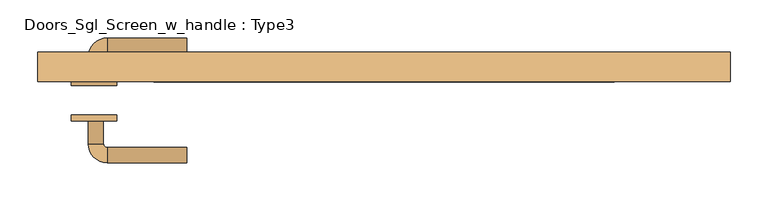
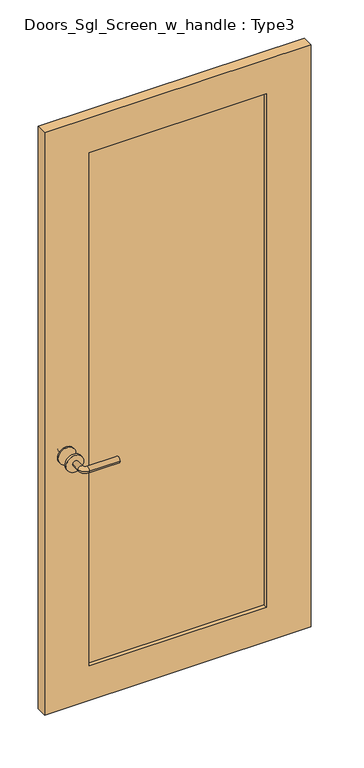
"""IFC4 building model written with IfcOpenShell, lengths in millimetres: door geometry, Doors_Sgl_Screen_w_handle : Type3."""

import ifcopenshell
import ifcopenshell.guid

model = None  # the IFC model being written
_history = None  # IfcOwnerHistory: only IFC2X3 demands one
_inside = {}  # id of a spatial element -> (the spatial element, [elements in it])
_under = {}  # id of a project, library or spatial element -> (it, [spatial elements below it])
_declared = {}  # id of a project -> (the project, [libraries it declares])
_typed = {}  # id of a type object -> (the type object, [elements of that type])
_made_of = {}  # id of a material, layer set ... -> (it, [elements and type objects made of it])


def new_model(schema):
    """Start an empty IFC model of exactly this schema.

    Asked for "IFC4X3", IfcOpenShell would pick the latest addendum, in which some entities
    have other attributes; the version numbers below select the first issue.
    IFC2X3 requires an IfcOwnerHistory on every rooted entity: one is made here for all.
    """
    global model, _history
    if schema == "IFC4X3":
        model = ifcopenshell.file(schema_version=(4, 3, 0, 0))
    else:
        model = ifcopenshell.file(schema=schema)
    _inside.clear()
    _under.clear()
    _declared.clear()
    _typed.clear()
    _made_of.clear()
    _history = None
    if model.schema == "IFC2X3":
        org = make("IfcOrganization", Name="unknown")
        user = make(
            "IfcPersonAndOrganization",
            ThePerson=make("IfcPerson", FamilyName="unknown"),
            TheOrganization=org,
        )
        app = make(
            "IfcApplication",
            ApplicationDeveloper=org,
            Version="unknown",
            ApplicationFullName="unknown",
            ApplicationIdentifier="unknown",
        )
        _history = make(
            "IfcOwnerHistory",
            OwningUser=user,
            OwningApplication=app,
            ChangeAction="ADDED",
            CreationDate=0,
        )
    return model


def make(cls, **values):
    """One entity of the class cls with the attributes given. An attribute that is None is left unset."""
    return model.create_entity(
        cls, **{name: value for name, value in values.items() if value is not None}
    )


def rooted(cls, **values):
    """An entity with a GlobalId (a new one), such as an element, a storey or a relation."""
    return make(cls, GlobalId=ifcopenshell.guid.new(), OwnerHistory=_history, **values)


def si_unit(unit_type, name, prefix=None):
    """IfcSIUnit, for example si_unit("LENGTHUNIT", "METRE", prefix="MILLI")."""
    return make("IfcSIUnit", UnitType=unit_type, Prefix=prefix, Name=name)


def assignment(units):
    """IfcUnitAssignment: the units of a project."""
    return None if units is None else make("IfcUnitAssignment", Units=units)


def point(xyz):
    """IfcCartesianPoint."""
    return None if xyz is None else make("IfcCartesianPoint", Coordinates=xyz)


def direction(xyz):
    """IfcDirection."""
    return None if xyz is None else make("IfcDirection", DirectionRatios=xyz)


def frame(location, z_axis=None, x_axis=None):
    """IfcAxis2Placement3D, a coordinate frame: its origin and axes. An axis left out is left unset."""
    return make(
        "IfcAxis2Placement3D",
        Location=point(location),
        Axis=direction(z_axis),
        RefDirection=direction(x_axis),
    )


def frame_2d(location, x_axis=None):
    """IfcAxis2Placement2D, a coordinate frame in the plane: its origin and x axis."""
    return make(
        "IfcAxis2Placement2D", Location=point(location), RefDirection=direction(x_axis)
    )


def origin():
    """The frame at (0, 0, 0) with its axes left unset."""
    return frame((0.0, 0.0, 0.0))


def place(relative_to, where):
    """IfcLocalPlacement: puts the frame where relative to a parent placement (None: the world)."""
    return make(
        "IfcLocalPlacement", PlacementRelTo=relative_to, RelativePlacement=where
    )


def context(
    kind, dimensions, precision=None, world=None, true_north=None, identifier=None
):
    """IfcGeometricRepresentationContext, for example the 3D "Model" context."""
    return make(
        "IfcGeometricRepresentationContext",
        ContextIdentifier=identifier,
        ContextType=kind,
        CoordinateSpaceDimension=dimensions,
        Precision=precision,
        WorldCoordinateSystem=world,
        TrueNorth=true_north,
    )


def project(units=None, contexts=None):
    """IfcProject with its units and contexts."""
    return rooted(
        "IfcProject",
        Name="project",
        RepresentationContexts=contexts,
        UnitsInContext=assignment(units),
    )


def spatial(cls, under=None, at=None, **own):
    """A site, building, storey or space (cls), placed at a placement, below another one or the project."""
    s = rooted(cls, ObjectPlacement=at, **own)
    if under is not None:
        _under.setdefault(under.id(), (under, []))[1].append(s)
    return s


def polyline(points):
    """IfcPolyline through the points."""
    return make("IfcPolyline", Points=[point(p) for p in points])


def circle_curve(where, radius):
    """IfcCircle in the frame where."""
    return make("IfcCircle", Position=where, Radius=radius)


def ellipse_curve(where, semi_axis1, semi_axis2):
    """IfcEllipse in the frame where."""
    return make(
        "IfcEllipse", Position=where, SemiAxis1=semi_axis1, SemiAxis2=semi_axis2
    )


def trimmed(basis, trim1, trim2, sense, master):
    """IfcTrimmedCurve: the piece of a basis curve between two trims."""
    return make(
        "IfcTrimmedCurve",
        BasisCurve=basis,
        Trim1=trim1,
        Trim2=trim2,
        SenseAgreement=sense,
        MasterRepresentation=master,
    )


def segment(curve, same_sense, transition):
    """IfcCompositeCurveSegment."""
    return make(
        "IfcCompositeCurveSegment",
        Transition=transition,
        SameSense=same_sense,
        ParentCurve=curve,
    )


def composite_curve(segments, self_intersect=None):
    """IfcCompositeCurve: segments joined end to end."""
    return make("IfcCompositeCurve", Segments=segments, SelfIntersect=self_intersect)


def outline(outer, holes=None, kind="AREA"):
    """IfcArbitraryClosedProfileDef: a profile drawn as a closed curve; with holes, ...WithVoids."""
    if holes is None:
        return make("IfcArbitraryClosedProfileDef", ProfileType=kind, OuterCurve=outer)
    return make(
        "IfcArbitraryProfileDefWithVoids",
        ProfileType=kind,
        OuterCurve=outer,
        InnerCurves=holes,
    )


def extrude(swept, where, along, depth):
    """IfcExtrudedAreaSolid: the profile swept, set in the frame where, extruded along a direction by depth."""
    return make(
        "IfcExtrudedAreaSolid",
        SweptArea=swept,
        Position=where,
        ExtrudedDirection=direction(along),
        Depth=depth,
    )


def shape(context_of_items, identifier, shape_type, items):
    """IfcShapeRepresentation: the items that make up one representation, for example the "Body"."""
    return make(
        "IfcShapeRepresentation",
        ContextOfItems=context_of_items,
        RepresentationIdentifier=identifier,
        RepresentationType=shape_type,
        Items=items,
    )


def source(mapping_origin, context_of_items, identifier, shape_type, items):
    """IfcRepresentationMap: a shape defined once, which mapped items show again and again."""
    return make(
        "IfcRepresentationMap",
        MappingOrigin=mapping_origin,
        MappedRepresentation=shape(context_of_items, identifier, shape_type, items),
    )


def transform(
    local_origin,
    x_axis=None,
    y_axis=None,
    z_axis=None,
    scale=None,
    scale2=None,
    scale3=None,
    uniform=True,
):
    """IfcCartesianTransformationOperator3D, or its non-uniform kind. x_axis, y_axis, z_axis: its Axis1, 2, 3."""
    if uniform:
        return make(
            "IfcCartesianTransformationOperator3D",
            Axis1=direction(x_axis),
            Axis2=direction(y_axis),
            LocalOrigin=point(local_origin),
            Scale=scale,
            Axis3=direction(z_axis),
        )
    return make(
        "IfcCartesianTransformationOperator3DnonUniform",
        Axis1=direction(x_axis),
        Axis2=direction(y_axis),
        LocalOrigin=point(local_origin),
        Scale=scale,
        Axis3=direction(z_axis),
        Scale2=scale2,
        Scale3=scale3,
    )


def mapped(mapping_source, mapping_target):
    """IfcMappedItem: shows the shape of a source again, moved by a transform."""
    return make(
        "IfcMappedItem", MappingSource=mapping_source, MappingTarget=mapping_target
    )


def made_of(thing, what):
    """Note that an element or type object is made of a material, layer set ...; save() writes the relation."""
    if what is not None:
        _made_of.setdefault(what.id(), (what, []))[1].append(thing)
    return thing


def element(
    cls,
    number,
    at=None,
    inside=None,
    cuts=None,
    type_object=None,
    material=None,
    context=None,
    identifier="Body",
    shape_type=None,
    held_by="IfcProductDefinitionShape",
    body=None,
    shapes=None,
    **own,
):
    """One element of the class cls, such as IfcWall. Its Tag is "e" and its number.

    at: its placement. inside: the storey or other place that contains it. cuts: it is an
    opening in that element (IfcRelVoidsElement). A single representation is given by context,
    identifier, shape_type and body (its items); several are given by shapes. held_by: the class
    of the entity that holds the representations. save() writes the other relations.
    """
    e = rooted(cls, Tag="e%d" % number, ObjectPlacement=at, **own)
    if body is not None:
        shapes = [shape(context, identifier, shape_type, body)]
    if shapes is not None:
        e.Representation = make(held_by, Representations=shapes)
    if inside is not None:
        _inside.setdefault(inside.id(), (inside, []))[1].append(e)
    if cuts is not None:
        rooted(
            "IfcRelVoidsElement", RelatingBuildingElement=cuts, RelatedOpeningElement=e
        )
    if type_object is not None:
        _typed.setdefault(type_object.id(), (type_object, []))[1].append(e)
    return made_of(e, material)


def aggregate(whole, parts):
    """IfcRelAggregates: a whole, such as a stair, and the parts it consists of."""
    return rooted("IfcRelAggregates", RelatingObject=whole, RelatedObjects=parts)


def save(model, path):
    """Write the relations noted so far, then the file.

    IfcRelAggregates (storeys below a building ...), IfcRelContainedInSpatialStructure (elements
    in a storey), IfcRelDefinesByType, IfcRelAssociatesMaterial and IfcRelDeclares: one each for
    every whole, place, type object, material and project.
    """
    for whole, parts in _under.values():
        aggregate(whole, parts)
    for where, things in _inside.values():
        rooted(
            "IfcRelContainedInSpatialStructure",
            RelatedElements=things,
            RelatingStructure=where,
        )
    for kind, things in _typed.values():
        rooted("IfcRelDefinesByType", RelatedObjects=things, RelatingType=kind)
    for what, things in _made_of.values():
        rooted("IfcRelAssociatesMaterial", RelatedObjects=things, RelatingMaterial=what)
    for by, libraries in _declared.values():
        rooted("IfcRelDeclares", RelatingContext=by, RelatedDefinitions=libraries)
    model.write(path)


def plane_surface(at):
    """IfcPlane: the flat surface through the origin of the frame at, square to its z axis."""
    return make("IfcPlane", Position=at)


def cylinder_surface(at, radius):
    """IfcCylindricalSurface: all points at the distance radius from the z axis of the frame at."""
    return make("IfcCylindricalSurface", Position=at, Radius=radius)


def revolved_surface(curve, axis_point, axis_direction):
    """IfcSurfaceOfRevolution: the curve turned about the line through axis_point along axis_direction."""
    return make(
        "IfcSurfaceOfRevolution",
        SweptCurve=make("IfcArbitraryOpenProfileDef", ProfileType="CURVE", Curve=curve),
        AxisPosition=make("IfcAxis1Placement", Location=point(axis_point), Axis=direction(axis_direction)),
    )


def advanced_brep(points, edges, surfaces, faces):
    """IfcAdvancedBrep: a solid bounded by faces that lie on surfaces and meet in shared edges.

    An edge is (start, end): straight between two places in points (the first is 0);
    or (start, end, curve); or (start, end, curve, False) where it runs against its curve.
    A face is (place in surfaces, loops), or (place, loops, False) where it looks against
    its surface's normal. A loop lists edges by number (the first is 1), with a minus sign
    where the edge is run from its end to its start. The first loop is the outer one.
    """
    corners = [point(p) for p in points]
    vertices = [make("IfcVertexPoint", VertexGeometry=c) for c in corners]
    made = []
    for start, end, *more in edges:
        made.append(
            make(
                "IfcEdgeCurve",
                EdgeStart=vertices[start],
                EdgeEnd=vertices[end],
                EdgeGeometry=more[0] if more else make("IfcPolyline", Points=[corners[start], corners[end]]),
                SameSense=more[1] if len(more) > 1 else True,
            )
        )
    hull = []
    for where, loops, *sense in faces:
        bounds = []
        for j, loop in enumerate(loops):
            ring = [make("IfcOrientedEdge", EdgeElement=made[abs(k) - 1], Orientation=k > 0) for k in loop]
            bounds.append(
                make(
                    "IfcFaceOuterBound" if j == 0 else "IfcFaceBound",
                    Bound=make("IfcEdgeLoop", EdgeList=ring),
                    Orientation=True,
                )
            )
        hull.append(make("IfcAdvancedFace", Bounds=bounds, FaceSurface=surfaces[where], SameSense=sense[0] if sense else True))
    return make("IfcAdvancedBrep", Outer=make("IfcClosedShell", CfsFaces=hull))


def doors_sgl_screen_w_handle_type3_ea65707e(model_context):
    return source(origin(), model_context, "Body", "SolidModel", [
        advanced_brep(
        [(-389.4125, -33.964741, 914.4), (-369.4125, -33.964741, 914.4), (-369.4125, -63.964741, 914.4), (-389.4125, -63.964741, 914.4), (-364.4125, -68.964741, 914.4), (-364.4125, -88.964741, 914.4), (-259.4125, -88.964741, 914.4), (-259.4125, -68.964741, 914.4)],
        [
            (0, 1, circle_curve(frame((-379.4125, -33.964741, 914.4), z_axis=(0.0, 1.0, 0.0), x_axis=(1.0, 0.0, 0.0)), 10.0)),
            (1, 0, circle_curve(frame((-379.4125, -33.964741, 914.4), z_axis=(0.0, 1.0, 0.0), x_axis=(1.0, 0.0, 0.0)), 10.0)),
            (1, 2),
            (2, 3, circle_curve(frame((-379.4125, -63.964741, 914.4), z_axis=(0.0, 1.0, 0.0), x_axis=(1.0, 0.0, 0.0)), 10.0)),
            (3, 0),
            (3, 2, circle_curve(frame((-379.4125, -63.964741, 914.4), z_axis=(0.0, 1.0, 0.0), x_axis=(1.0, 0.0, 0.0)), 10.0)),
            (4, 5, circle_curve(frame((-364.4125, -78.964741, 914.4), z_axis=(-1.0, 0.0, 0.0), x_axis=(0.0, 1.0, 0.0)), 10.0)),
            (5, 3, circle_curve(frame((-364.4125, -63.964741, 914.4), z_axis=(0.0, 0.0, -1.0), x_axis=(-1.0, 0.0, 0.0)), 25.0)),
            (2, 4, circle_curve(frame((-364.4125, -63.964741, 914.4), z_axis=(0.0, 0.0, 1.0), x_axis=(-1.0, 0.0, 0.0)), 5.0)),
            (5, 4, circle_curve(frame((-364.4125, -78.964741, 914.4), z_axis=(-1.0, 0.0, 0.0), x_axis=(0.0, 1.0, 0.0)), 10.0)),
            (6, 7, circle_curve(frame((-259.4125, -78.964741, 914.4), z_axis=(1.0, 0.0, 0.0), x_axis=(0.0, 1.0, 0.0)), 10.0)),
            (7, 6, circle_curve(frame((-259.4125, -78.964741, 914.4), z_axis=(1.0, 0.0, 0.0), x_axis=(0.0, 1.0, 0.0)), 10.0)),
            (4, 7),
            (6, 5),
        ],
        [
            plane_surface(frame((-379.4125, -33.964741, 914.4), z_axis=(0.0, 1.0, 0.0), x_axis=(0.0, 0.0, 1.0))),
            cylinder_surface(frame((-379.4125, -33.964741, 914.4), z_axis=(0.0, 1.0, 0.0), x_axis=(1.0, 0.0, 0.0)), 10.0),
            revolved_surface(trimmed(ellipse_curve(frame((-379.4125, -63.964741, 914.4), z_axis=(0.0, -1.0, 0.0), x_axis=(1.0, 0.0, 0.0)), 10.0, 10.0), [point((-389.4125, -63.964741, 914.4))], [point((-369.4125, -63.964741, 914.4))], True, "CARTESIAN"), (-364.4125, -63.964741, 914.4), (0.0, 0.0, -1.0)),
            revolved_surface(trimmed(ellipse_curve(frame((-379.4125, -63.964741, 914.4), z_axis=(0.0, -1.0, 0.0), x_axis=(1.0, 0.0, 0.0)), 10.0, 10.0), [point((-369.4125, -63.964741, 914.4))], [point((-389.4125, -63.964741, 914.4))], True, "CARTESIAN"), (-364.4125, -63.964741, 914.4), (0.0, 0.0, -1.0)),
            plane_surface(frame((-259.4125, -78.964741, 914.4), z_axis=(1.0, 0.0, 0.0), x_axis=(0.0, 0.0, 1.0))),
            cylinder_surface(frame((-364.4125, -78.964741, 914.4), z_axis=(-1.0, 0.0, 0.0), x_axis=(0.0, 1.0, 0.0)), 10.0),
        ],
        [
            (0, [[1, 2]]),
            (1, [[3, 4, 5, -2]]),
            (1, [[-5, 6, -3, -1]]),
            (2, [[7, 8, -4, 9]]),
            (3, [[10, -9, -6, -8]]),
            (4, [[11, 12]]),
            (5, [[13, -11, 14, -7]]),
            (5, [[-14, -12, -13, -10]]),
        ],
    ),
        extrude(outline(composite_curve([segment(trimmed(circle_curve(frame_2d((914.4, -381.9125)), 30.0), [point((914.4, -411.9125))], [point((914.4, -351.9125))], False, "CARTESIAN"), True, "CONTINUOUS"), segment(trimmed(circle_curve(frame_2d((914.4, -381.9125)), 30.0), [point((914.4, -351.9125))], [point((914.4, -411.9125))], False, "CARTESIAN"), True, "CONTINUOUS")], self_intersect=False)), frame((0.0, -33.964741, 0.0), z_axis=(0.0, 1.0, 0.0), x_axis=(0.0, 0.0, 1.0)), (0.0, 0.0, 1.0), 8.0),
        advanced_brep(
        [(-389.4125, 20.5788556, 914.4), (-369.4125, 20.5788556, 914.4), (-389.4125, 50.5788556, 914.4), (-369.4125, 50.5788556, 914.4), (-364.4125, 55.5788556, 914.4), (-364.4125, 75.5788556, 914.4), (-259.4125, 75.5788556, 914.4), (-259.4125, 55.5788556, 914.4)],
        [
            (0, 1, circle_curve(frame((-379.4125, 20.5788556, 914.4), z_axis=(0.0, -1.0, 0.0), x_axis=(1.0, 0.0, 0.0)), 10.0)),
            (1, 0, circle_curve(frame((-379.4125, 20.5788556, 914.4), z_axis=(0.0, -1.0, 0.0), x_axis=(1.0, 0.0, 0.0)), 10.0)),
            (0, 2),
            (2, 3, circle_curve(frame((-379.4125, 50.5788556, 914.4), z_axis=(0.0, -1.0, 0.0), x_axis=(1.0, 0.0, 0.0)), 10.0)),
            (3, 1),
            (3, 2, circle_curve(frame((-379.4125, 50.5788556, 914.4), z_axis=(0.0, -1.0, 0.0), x_axis=(1.0, 0.0, 0.0)), 10.0)),
            (4, 3, circle_curve(frame((-364.4125, 50.5788556, 914.4), z_axis=(0.0, 0.0, 1.0), x_axis=(-1.0, 0.0, 0.0)), 5.0)),
            (2, 5, circle_curve(frame((-364.4125, 50.5788556, 914.4), z_axis=(0.0, 0.0, -1.0), x_axis=(-1.0, 0.0, 0.0)), 25.0)),
            (5, 4, circle_curve(frame((-364.4125, 65.5788556, 914.4), z_axis=(-1.0, 0.0, 0.0), x_axis=(0.0, -1.0, 0.0)), 10.0)),
            (4, 5, circle_curve(frame((-364.4125, 65.5788556, 914.4), z_axis=(-1.0, 0.0, 0.0), x_axis=(0.0, -1.0, 0.0)), 10.0)),
            (6, 7, circle_curve(frame((-259.4125, 65.5788556, 914.4), z_axis=(1.0, 0.0, 0.0), x_axis=(0.0, -1.0, 0.0)), 10.0)),
            (7, 6, circle_curve(frame((-259.4125, 65.5788556, 914.4), z_axis=(1.0, 0.0, 0.0), x_axis=(0.0, -1.0, 0.0)), 10.0)),
            (5, 6),
            (7, 4),
        ],
        [
            plane_surface(frame((-379.4125, 20.5788556, 914.4), z_axis=(0.0, -1.0, 0.0), x_axis=(0.0, 0.0, 1.0))),
            cylinder_surface(frame((-379.4125, 20.5788556, 914.4), z_axis=(0.0, -1.0, 0.0), x_axis=(1.0, 0.0, 0.0)), 10.0),
            revolved_surface(trimmed(ellipse_curve(frame((-379.4125, 50.5788556, 914.4), z_axis=(0.0, -1.0, 0.0), x_axis=(1.0, 0.0, 0.0)), 10.0, 10.0), [point((-389.4125, 50.5788556, 914.4))], [point((-369.4125, 50.5788556, 914.4))], True, "CARTESIAN"), (-364.4125, 50.5788556, 914.4), (0.0, 0.0, -1.0)),
            revolved_surface(trimmed(ellipse_curve(frame((-379.4125, 50.5788556, 914.4), z_axis=(0.0, -1.0, 0.0), x_axis=(1.0, 0.0, 0.0)), 10.0, 10.0), [point((-369.4125, 50.5788556, 914.4))], [point((-389.4125, 50.5788556, 914.4))], True, "CARTESIAN"), (-364.4125, 50.5788556, 914.4), (0.0, 0.0, -1.0)),
            plane_surface(frame((-259.4125, 65.5788556, 914.4), z_axis=(1.0, 0.0, 0.0), x_axis=(0.0, 0.0, 1.0))),
            cylinder_surface(frame((-364.4125, 65.5788556, 914.4), z_axis=(-1.0, 0.0, 0.0), x_axis=(0.0, -1.0, 0.0)), 10.0),
        ],
        [
            (0, [[1, 2]]),
            (1, [[-1, 3, 4, 5]]),
            (1, [[-2, -5, 6, -3]]),
            (2, [[7, -4, 8, 9]]),
            (3, [[-8, -6, -7, 10]]),
            (4, [[11, 12]]),
            (5, [[-9, 13, -12, 14]]),
            (5, [[-10, -14, -11, -13]]),
        ],
    ),
        extrude(outline(composite_curve([segment(trimmed(circle_curve(frame_2d((914.4, -381.9125)), 30.0), [point((914.4, -411.9125))], [point((914.4, -351.9125))], False, "CARTESIAN"), True, "CONTINUOUS"), segment(trimmed(circle_curve(frame_2d((914.4, -381.9125)), 30.0), [point((914.4, -351.9125))], [point((914.4, -411.9125))], False, "CARTESIAN"), True, "CONTINUOUS")], self_intersect=False)), frame((0.0, 12.5788556, 0.0), z_axis=(0.0, 1.0, 0.0), x_axis=(0.0, 0.0, 1.0)), (0.0, 0.0, 1.0), 8.0),
        extrude(outline(polyline([(303.2125, 31.75), (-303.2125, 31.75), (-303.2125, 44.45), (303.2125, 44.45), (303.2125, 31.75)])), frame((0.0, 0.0, 125.0), z_axis=(0.0, 0.0, 1.0), x_axis=(1.0, 0.0, 0.0)), (0.0, 0.0, 1.0), 1855.025),
        extrude(outline(polyline([(2105.025, -455.6125), (0.0, -455.6125), (0.0, 455.6125), (2105.025, 455.6125), (2105.025, -455.6125)]), holes=[polyline([(1980.025, -303.2125), (1980.025, 303.2125), (125.0, 303.2125), (125.0, -303.2125), (1980.025, -303.2125)])]), frame((0.0, 17.785259, 0.0), z_axis=(0.0, 1.0, 0.0), x_axis=(0.0, 0.0, 1.0)), (0.0, 0.0, 1.0), 39.2435966),
    ])


if __name__ == "__main__":
    model = new_model("IFC4")
    model_context = context("Model", 3, world=origin())
    ifc_project = project(units=[si_unit("LENGTHUNIT", "METRE", prefix="MILLI")], contexts=[model_context])
    site = spatial("IfcSite", under=ifc_project)
    building = spatial("IfcBuilding", under=site)
    placement = place(None, origin())
    doors_sgl_screen_w_handle_type3_shape = doors_sgl_screen_w_handle_type3_ea65707e(model_context)
    element("IfcDoor", 1, ObjectType="Doors_Sgl_Screen_w_handle : Type3", at=placement, inside=building, context=model_context, shape_type="MappedRepresentation", body=[
        mapped(doors_sgl_screen_w_handle_type3_shape, transform((0.0, 0.0, 0.0), x_axis=(1.0, 0.0, 0.0), y_axis=(0.0, 1.0, 0.0), z_axis=(0.0, 0.0, 1.0))),
    ])
    save(model, "model.ifc")
